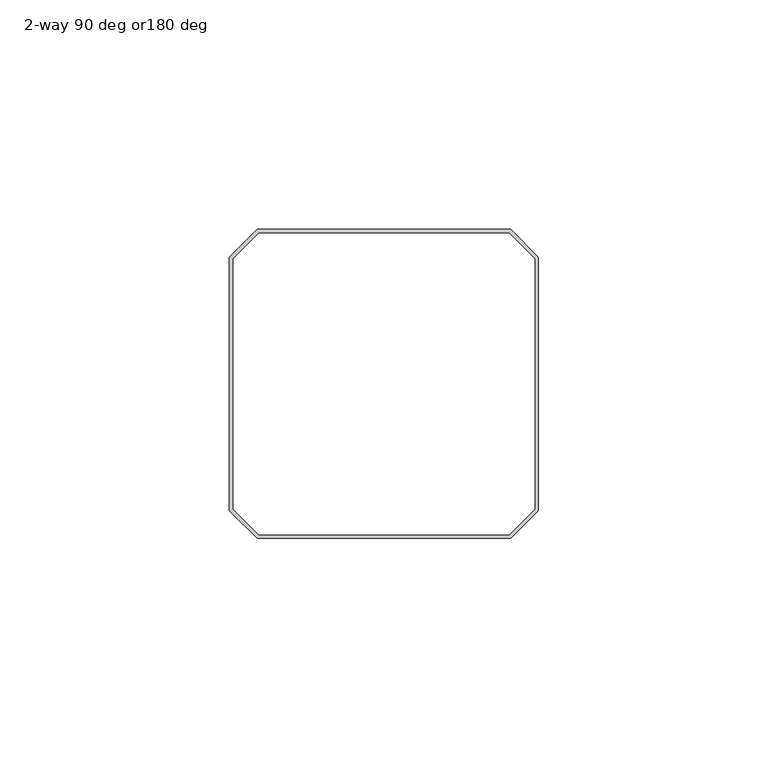
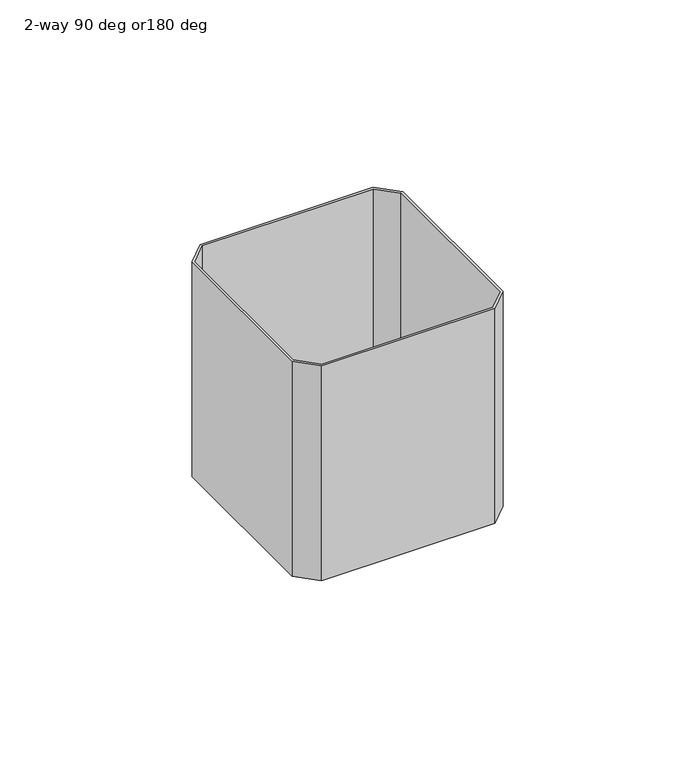
"""IFC4 building model written with IfcOpenShell, lengths in millimetres: furniture geometry, 2-way 90 deg or180 deg."""

from ifc_helpers import new_model, si_unit, frame, origin, place, context, project, spatial, polyline, outline, extrude, source, transform, mapped, element, save


def furniture_2_way_90_deg_or180_deg_6bfdf8a2(model_context):
    return source(origin(), model_context, "Body", "SweptSolid", [
        extrude(outline(polyline([(-482.9175002, 42.2274972), (-482.9175002, 97.4724993), (-476.8850003, 103.5049992), (-421.6399982, 103.5049992), (-415.6075002, 97.4725001), (-415.6075002, 42.2274964), (-421.6399974, 36.1949992), (-476.8850011, 36.1949992), (-482.9175002, 42.2274972)]), holes=[polyline([(-476.5588485, 102.7175992), (-482.1301002, 97.1463476), (-482.1301002, 42.553649), (-476.5588493, 36.9823992), (-421.9661491, 36.9823992), (-416.3949002, 42.5536482), (-416.3949002, 97.1463484), (-421.96615, 102.7175992), (-476.5588485, 102.7175992)])]), frame((0.0, 0.0, 1295.4), z_axis=(0.0, 0.0, 1.0), x_axis=(1.0, 0.0, 0.0)), (0.0, 0.0, 1.0), 72.3899991),
    ])


if __name__ == "__main__":
    model = new_model("IFC4")
    model_context = context("Model", 3, world=origin())
    ifc_project = project(units=[si_unit("LENGTHUNIT", "METRE", prefix="MILLI")], contexts=[model_context])
    site = spatial("IfcSite", under=ifc_project)
    building = spatial("IfcBuilding", under=site)
    placement = place(None, origin())
    furniture_2_way_90_deg_or180_deg_shape = furniture_2_way_90_deg_or180_deg_6bfdf8a2(model_context)
    element("IfcFurniture", 1, ObjectType="2-way 90 deg or180 deg", at=placement, inside=building, context=model_context, shape_type="MappedRepresentation", body=[
        mapped(furniture_2_way_90_deg_or180_deg_shape, transform((0.0, 0.0, 0.0), x_axis=(1.0, 0.0, 0.0), y_axis=(0.0, 1.0, 0.0), z_axis=(0.0, 0.0, 1.0))),
    ])
    save(model, "model.ifc")
